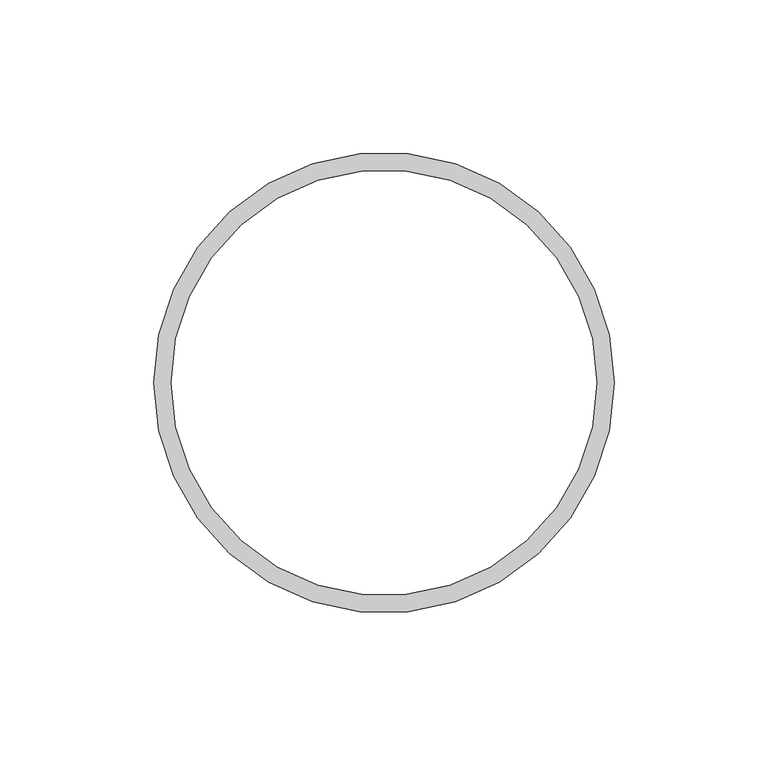
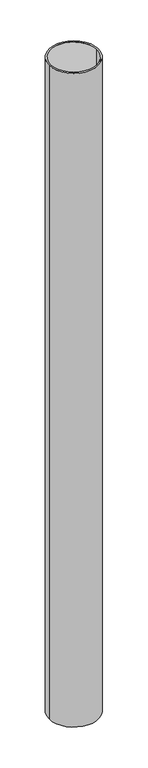
"""IFC4 building model written with IfcOpenShell, lengths in millimetres: column geometry."""

import ifcopenshell
import ifcopenshell.guid

model = None  # the IFC model being written
_history = None  # IfcOwnerHistory: only IFC2X3 demands one
_inside = {}  # id of a spatial element -> (the spatial element, [elements in it])
_under = {}  # id of a project, library or spatial element -> (it, [spatial elements below it])
_declared = {}  # id of a project -> (the project, [libraries it declares])
_typed = {}  # id of a type object -> (the type object, [elements of that type])
_made_of = {}  # id of a material, layer set ... -> (it, [elements and type objects made of it])


def new_model(schema):
    """Start an empty IFC model of exactly this schema.

    Asked for "IFC4X3", IfcOpenShell would pick the latest addendum, in which some entities
    have other attributes; the version numbers below select the first issue.
    IFC2X3 requires an IfcOwnerHistory on every rooted entity: one is made here for all.
    """
    global model, _history
    if schema == "IFC4X3":
        model = ifcopenshell.file(schema_version=(4, 3, 0, 0))
    else:
        model = ifcopenshell.file(schema=schema)
    _inside.clear()
    _under.clear()
    _declared.clear()
    _typed.clear()
    _made_of.clear()
    _history = None
    if model.schema == "IFC2X3":
        org = make("IfcOrganization", Name="unknown")
        user = make(
            "IfcPersonAndOrganization",
            ThePerson=make("IfcPerson", FamilyName="unknown"),
            TheOrganization=org,
        )
        app = make(
            "IfcApplication",
            ApplicationDeveloper=org,
            Version="unknown",
            ApplicationFullName="unknown",
            ApplicationIdentifier="unknown",
        )
        _history = make(
            "IfcOwnerHistory",
            OwningUser=user,
            OwningApplication=app,
            ChangeAction="ADDED",
            CreationDate=0,
        )
    return model


def make(cls, **values):
    """One entity of the class cls with the attributes given. An attribute that is None is left unset."""
    return model.create_entity(
        cls, **{name: value for name, value in values.items() if value is not None}
    )


def rooted(cls, **values):
    """An entity with a GlobalId (a new one), such as an element, a storey or a relation."""
    return make(cls, GlobalId=ifcopenshell.guid.new(), OwnerHistory=_history, **values)


def si_unit(unit_type, name, prefix=None):
    """IfcSIUnit, for example si_unit("LENGTHUNIT", "METRE", prefix="MILLI")."""
    return make("IfcSIUnit", UnitType=unit_type, Prefix=prefix, Name=name)


def assignment(units):
    """IfcUnitAssignment: the units of a project."""
    return None if units is None else make("IfcUnitAssignment", Units=units)


def point(xyz):
    """IfcCartesianPoint."""
    return None if xyz is None else make("IfcCartesianPoint", Coordinates=xyz)


def direction(xyz):
    """IfcDirection."""
    return None if xyz is None else make("IfcDirection", DirectionRatios=xyz)


def frame(location, z_axis=None, x_axis=None):
    """IfcAxis2Placement3D, a coordinate frame: its origin and axes. An axis left out is left unset."""
    return make(
        "IfcAxis2Placement3D",
        Location=point(location),
        Axis=direction(z_axis),
        RefDirection=direction(x_axis),
    )


def frame_2d(location, x_axis=None):
    """IfcAxis2Placement2D, a coordinate frame in the plane: its origin and x axis."""
    return make(
        "IfcAxis2Placement2D", Location=point(location), RefDirection=direction(x_axis)
    )


def origin():
    """The frame at (0, 0, 0) with its axes left unset."""
    return frame((0.0, 0.0, 0.0))


def origin_with_axes():
    """The frame at (0, 0, 0) with the z axis (0, 0, 1) and the x axis (1, 0, 0) written out."""
    return frame((0.0, 0.0, 0.0), z_axis=(0.0, 0.0, 1.0), x_axis=(1.0, 0.0, 0.0))


def origin_2d():
    """The frame at (0, 0) in the plane with its x axis left unset."""
    return frame_2d((0.0, 0.0))


def place(relative_to, where):
    """IfcLocalPlacement: puts the frame where relative to a parent placement (None: the world)."""
    return make(
        "IfcLocalPlacement", PlacementRelTo=relative_to, RelativePlacement=where
    )


def context(
    kind, dimensions, precision=None, world=None, true_north=None, identifier=None
):
    """IfcGeometricRepresentationContext, for example the 3D "Model" context."""
    return make(
        "IfcGeometricRepresentationContext",
        ContextIdentifier=identifier,
        ContextType=kind,
        CoordinateSpaceDimension=dimensions,
        Precision=precision,
        WorldCoordinateSystem=world,
        TrueNorth=true_north,
    )


def project(units=None, contexts=None):
    """IfcProject with its units and contexts."""
    return rooted(
        "IfcProject",
        Name="project",
        RepresentationContexts=contexts,
        UnitsInContext=assignment(units),
    )


def spatial(cls, under=None, at=None, **own):
    """A site, building, storey or space (cls), placed at a placement, below another one or the project."""
    s = rooted(cls, ObjectPlacement=at, **own)
    if under is not None:
        _under.setdefault(under.id(), (under, []))[1].append(s)
    return s


def circle_curve(where, radius):
    """IfcCircle in the frame where."""
    return make("IfcCircle", Position=where, Radius=radius)


def trimmed(basis, trim1, trim2, sense, master):
    """IfcTrimmedCurve: the piece of a basis curve between two trims."""
    return make(
        "IfcTrimmedCurve",
        BasisCurve=basis,
        Trim1=trim1,
        Trim2=trim2,
        SenseAgreement=sense,
        MasterRepresentation=master,
    )


def segment(curve, same_sense, transition):
    """IfcCompositeCurveSegment."""
    return make(
        "IfcCompositeCurveSegment",
        Transition=transition,
        SameSense=same_sense,
        ParentCurve=curve,
    )


def composite_curve(segments, self_intersect=None):
    """IfcCompositeCurve: segments joined end to end."""
    return make("IfcCompositeCurve", Segments=segments, SelfIntersect=self_intersect)


def outline(outer, holes=None, kind="AREA"):
    """IfcArbitraryClosedProfileDef: a profile drawn as a closed curve; with holes, ...WithVoids."""
    if holes is None:
        return make("IfcArbitraryClosedProfileDef", ProfileType=kind, OuterCurve=outer)
    return make(
        "IfcArbitraryProfileDefWithVoids",
        ProfileType=kind,
        OuterCurve=outer,
        InnerCurves=holes,
    )


def extrude(swept, where, along, depth):
    """IfcExtrudedAreaSolid: the profile swept, set in the frame where, extruded along a direction by depth."""
    return make(
        "IfcExtrudedAreaSolid",
        SweptArea=swept,
        Position=where,
        ExtrudedDirection=direction(along),
        Depth=depth,
    )


def shape(context_of_items, identifier, shape_type, items):
    """IfcShapeRepresentation: the items that make up one representation, for example the "Body"."""
    return make(
        "IfcShapeRepresentation",
        ContextOfItems=context_of_items,
        RepresentationIdentifier=identifier,
        RepresentationType=shape_type,
        Items=items,
    )


def source(mapping_origin, context_of_items, identifier, shape_type, items):
    """IfcRepresentationMap: a shape defined once, which mapped items show again and again."""
    return make(
        "IfcRepresentationMap",
        MappingOrigin=mapping_origin,
        MappedRepresentation=shape(context_of_items, identifier, shape_type, items),
    )


def transform(
    local_origin,
    x_axis=None,
    y_axis=None,
    z_axis=None,
    scale=None,
    scale2=None,
    scale3=None,
    uniform=True,
):
    """IfcCartesianTransformationOperator3D, or its non-uniform kind. x_axis, y_axis, z_axis: its Axis1, 2, 3."""
    if uniform:
        return make(
            "IfcCartesianTransformationOperator3D",
            Axis1=direction(x_axis),
            Axis2=direction(y_axis),
            LocalOrigin=point(local_origin),
            Scale=scale,
            Axis3=direction(z_axis),
        )
    return make(
        "IfcCartesianTransformationOperator3DnonUniform",
        Axis1=direction(x_axis),
        Axis2=direction(y_axis),
        LocalOrigin=point(local_origin),
        Scale=scale,
        Axis3=direction(z_axis),
        Scale2=scale2,
        Scale3=scale3,
    )


def mapped(mapping_source, mapping_target):
    """IfcMappedItem: shows the shape of a source again, moved by a transform."""
    return make(
        "IfcMappedItem", MappingSource=mapping_source, MappingTarget=mapping_target
    )


def made_of(thing, what):
    """Note that an element or type object is made of a material, layer set ...; save() writes the relation."""
    if what is not None:
        _made_of.setdefault(what.id(), (what, []))[1].append(thing)
    return thing


def element(
    cls,
    number,
    at=None,
    inside=None,
    cuts=None,
    type_object=None,
    material=None,
    context=None,
    identifier="Body",
    shape_type=None,
    held_by="IfcProductDefinitionShape",
    body=None,
    shapes=None,
    **own,
):
    """One element of the class cls, such as IfcWall. Its Tag is "e" and its number.

    at: its placement. inside: the storey or other place that contains it. cuts: it is an
    opening in that element (IfcRelVoidsElement). A single representation is given by context,
    identifier, shape_type and body (its items); several are given by shapes. held_by: the class
    of the entity that holds the representations. save() writes the other relations.
    """
    e = rooted(cls, Tag="e%d" % number, ObjectPlacement=at, **own)
    if body is not None:
        shapes = [shape(context, identifier, shape_type, body)]
    if shapes is not None:
        e.Representation = make(held_by, Representations=shapes)
    if inside is not None:
        _inside.setdefault(inside.id(), (inside, []))[1].append(e)
    if cuts is not None:
        rooted(
            "IfcRelVoidsElement", RelatingBuildingElement=cuts, RelatedOpeningElement=e
        )
    if type_object is not None:
        _typed.setdefault(type_object.id(), (type_object, []))[1].append(e)
    return made_of(e, material)


def aggregate(whole, parts):
    """IfcRelAggregates: a whole, such as a stair, and the parts it consists of."""
    return rooted("IfcRelAggregates", RelatingObject=whole, RelatedObjects=parts)


def save(model, path):
    """Write the relations noted so far, then the file.

    IfcRelAggregates (storeys below a building ...), IfcRelContainedInSpatialStructure (elements
    in a storey), IfcRelDefinesByType, IfcRelAssociatesMaterial and IfcRelDeclares: one each for
    every whole, place, type object, material and project.
    """
    for whole, parts in _under.values():
        aggregate(whole, parts)
    for where, things in _inside.values():
        rooted(
            "IfcRelContainedInSpatialStructure",
            RelatedElements=things,
            RelatingStructure=where,
        )
    for kind, things in _typed.values():
        rooted("IfcRelDefinesByType", RelatedObjects=things, RelatingType=kind)
    for what, things in _made_of.values():
        rooted("IfcRelAssociatesMaterial", RelatedObjects=things, RelatingMaterial=what)
    for by, libraries in _declared.values():
        rooted("IfcRelDeclares", RelatingContext=by, RelatedDefinitions=libraries)
    model.write(path)


def column_e1f46c75(model_context):
    return source(origin(), model_context, "Body", "SweptSolid", [
        extrude(outline(composite_curve([segment(trimmed(circle_curve(origin_2d(), 75.0), [point((-75.0, 0.0))], [point((75.0, 0.0))], False, "CARTESIAN"), True, "CONTINUOUS"), segment(trimmed(circle_curve(origin_2d(), 75.0), [point((75.0, 0.0))], [point((-75.0, 0.0))], False, "CARTESIAN"), True, "CONTINUOUS")], self_intersect=False), holes=[composite_curve([segment(trimmed(circle_curve(origin_2d(), 69.3), [point((-69.3, 0.0))], [point((69.3, 0.0))], True, "CARTESIAN"), True, "CONTINUOUS"), segment(trimmed(circle_curve(origin_2d(), 69.3), [point((69.3, 0.0))], [point((-69.3, 0.0))], True, "CARTESIAN"), True, "CONTINUOUS")], self_intersect=False)]), origin_with_axes(), (0.0, 0.0, 1.0), 2100.0),
    ])


if __name__ == "__main__":
    model = new_model("IFC4")
    model_context = context("Model", 3, world=origin())
    ifc_project = project(units=[si_unit("LENGTHUNIT", "METRE", prefix="MILLI")], contexts=[model_context])
    site = spatial("IfcSite", under=ifc_project)
    building = spatial("IfcBuilding", under=site)
    placement = place(None, origin())
    column_shape = column_e1f46c75(model_context)
    element("IfcColumn", 1, at=placement, inside=building, context=model_context, shape_type="MappedRepresentation", body=[
        mapped(column_shape, transform((0.0, 0.0, 0.0), x_axis=(1.0, 0.0, 0.0), y_axis=(0.0, 1.0, 0.0), z_axis=(0.0, 0.0, 1.0))),
    ])
    save(model, "model.ifc")
